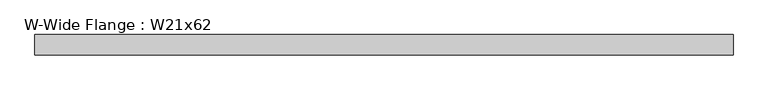
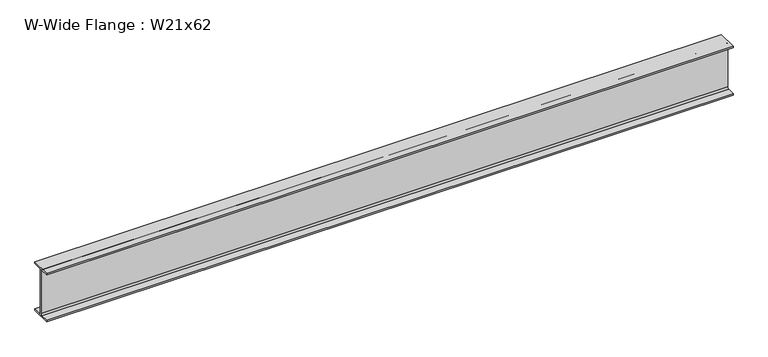
"""IFC4 building model written with IfcOpenShell, lengths in millimetres: beam geometry, W-Wide Flange : W21x62."""

from ifc_helpers import new_model, si_unit, point, frame, frame_2d, origin, place, context, project, spatial, polyline, circle_curve, trimmed, segment, composite_curve, outline, extrude, source, transform, mapped, element, save


def w_wide_flange_w21x62_ea53e3fe(model_context):
    return source(origin(), model_context, "Body", "SweptSolid", [
        extrude(outline(composite_curve([segment(polyline([(104.648, -251.079), (104.648, -266.7), (-104.648, -266.7), (-104.648, -251.079), (-22.7965, -251.079)]), True, "CONTINUOUS"), segment(trimmed(circle_curve(frame_2d((-22.7965, -233.3625)), 17.7165), [point((-22.7965, -251.079))], [point((-5.08, -233.3625))], True, "CARTESIAN"), True, "CONTINUOUS"), segment(polyline([(-5.08, -233.3625), (-5.08, 233.3625)]), True, "CONTINUOUS"), segment(trimmed(circle_curve(frame_2d((-22.7965, 233.3625)), 17.7165), [point((-5.08, 233.3625))], [point((-22.7965, 251.079))], True, "CARTESIAN"), True, "CONTINUOUS"), segment(polyline([(-22.7965, 251.079), (-104.648, 251.079), (-104.648, 266.7), (104.648, 266.7), (104.648, 251.079), (22.7965, 251.079)]), True, "CONTINUOUS"), segment(trimmed(circle_curve(frame_2d((22.7965, 233.3625)), 17.7165), [point((22.7965, 251.079))], [point((5.08, 233.3625))], True, "CARTESIAN"), True, "CONTINUOUS"), segment(polyline([(5.08, 233.3625), (5.08, -233.3625)]), True, "CONTINUOUS"), segment(trimmed(circle_curve(frame_2d((22.7965, -233.3625)), 17.7165), [point((5.08, -233.3625))], [point((22.7965, -251.079))], True, "CARTESIAN"), True, "CONTINUOUS"), segment(polyline([(22.7965, -251.079), (104.648, -251.079)]), True, "CONTINUOUS")], self_intersect=False)), frame((-3488.69, 0.0, 0.0), z_axis=(1.0, 0.0, 0.0), x_axis=(0.0, 1.0, 0.0)), (0.0, 0.0, 1.0), 7128.129),
    ])


if __name__ == "__main__":
    model = new_model("IFC4")
    model_context = context("Model", 3, world=origin())
    ifc_project = project(units=[si_unit("LENGTHUNIT", "METRE", prefix="MILLI")], contexts=[model_context])
    site = spatial("IfcSite", under=ifc_project)
    building = spatial("IfcBuilding", under=site)
    placement = place(None, origin())
    w_wide_flange_w21x62_shape = w_wide_flange_w21x62_ea53e3fe(model_context)
    element("IfcBeam", 1, ObjectType="W-Wide Flange : W21x62", at=placement, inside=building, context=model_context, shape_type="MappedRepresentation", body=[
        mapped(w_wide_flange_w21x62_shape, transform((0.0, 0.0, 0.0), x_axis=(1.0, 0.0, 0.0), y_axis=(0.0, 1.0, 0.0), z_axis=(0.0, 0.0, 1.0))),
    ])
    save(model, "model.ifc")
